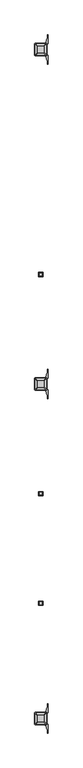
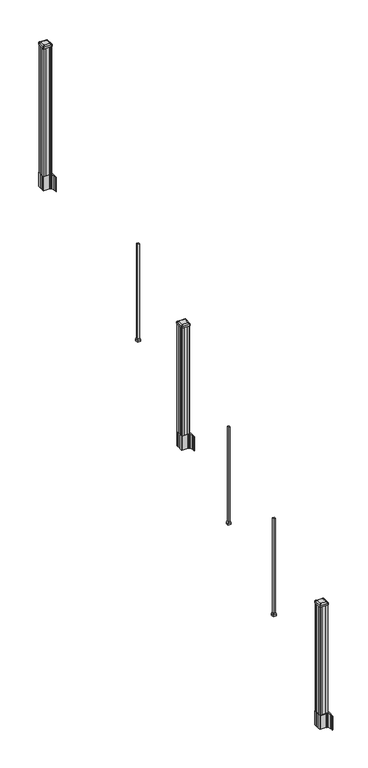
"""IFC4 building model written with IfcOpenShell, lengths in millimetres: railing geometry."""

from ifc_helpers import new_model, si_unit, point, frame, frame_2d, origin, place, context, project, spatial, polyline, circle_curve, trimmed, segment, composite_curve, outline, extrude, faceted_brep, source, transform, mapped, element, save
from ifc_brep_helpers import plane_surface, extruded_surface, advanced_brep


def railing_5faee576(model_context):
    return source(origin(), model_context, "Body", "SolidModel", [
        faceted_brep([(10042.5657728, -99917.1628453, 2254.6497081), (10067.9657728, -99917.1628453, 2254.6497081), (10067.9657728, -99891.7628453, 2254.6497081), (10042.5657728, -99891.7628453, 2254.6497081), (10039.3907728, -99920.3378453, 2238.7747081), (10039.3907728, -99888.5878453, 2238.7747081), (10071.1407728, -99888.5878453, 2238.7747081), (10071.1407728, -99920.3378453, 2238.7747081)], [[[0, 1, 2, 3]], [[4, 5, 6, 7]], [[4, 7, 1, 0]], [[7, 6, 2, 1]], [[6, 5, 3, 2]], [[5, 4, 0, 3]]]),
        extrude(outline(polyline([(10039.3907728, -99920.3378453), (10039.3907728, -99888.5878453), (10071.1407728, -99888.5878453), (10071.1407728, -99920.3378453), (10039.3907728, -99920.3378453)])), frame((0.0, 0.0, 2222.5), z_axis=(0.0, 0.0, 1.0), x_axis=(1.0, 0.0, 0.0)), (0.0, 0.0, 1.0), 16.2747081),
        extrude(outline(polyline([(10045.7407728, -99913.9878453), (10045.7407728, -99894.9378453), (10064.7907728, -99894.9378453), (10064.7907728, -99913.9878453), (10045.7407728, -99913.9878453)])), frame((0.0, 0.0, 2222.5), z_axis=(0.0, 0.0, 1.0), x_axis=(1.0, 0.0, 0.0)), (0.0, 0.0, 1.0), 1066.8),
        extrude(outline(composite_curve([segment(polyline([(10012.5302728, -100734.6489401), (10012.5302728, -100699.8767504), (10010.9427728, -100699.1147504), (10010.9427728, -100676.3128224), (10014.3157498, -100672.9398453), (10075.7754206, -100672.9398453), (10075.7754206, -100672.0190953), (10081.0929645, -100672.0190953), (10081.0929645, -100670.5648406), (10086.1774942, -100670.5648406), (10086.1774942, -100669.2808168), (10087.8447665, -100669.2808168)]), True, "CONTINUOUS"), segment(trimmed(circle_curve(frame_2d((10087.8447665, -100662.2213569)), 7.0594599), [point((10087.8447665, -100669.2808168))], [point((10094.6120293, -100664.2313636))], True, "CARTESIAN"), True, "CONTINUOUS"), segment(polyline([(10094.6120293, -100664.2313636), (10102.4862236, -100637.7206345)]), True, "CONTINUOUS"), segment(trimmed(circle_curve(frame_2d((10047.7017103, -100621.4485848)), 57.15), [point((10102.4862236, -100637.7206345))], [point((10104.8517103, -100621.4485848))], True, "CARTESIAN"), True, "CONTINUOUS"), segment(polyline([(10104.8517103, -100621.4485848), (10104.8517103, -100609.4398453), (10107.8517103, -100609.4398453), (10107.8517103, -100674.5273453), (10099.5887728, -100685.8656366), (10099.5887728, -100699.1147504), (10098.0012728, -100699.8767504), (10098.0012728, -100734.6489401), (10099.5887728, -100735.4109401), (10099.5887728, -100748.660054), (10107.8517103, -100759.9983453), (10107.8517103, -100825.0858453), (10104.8517103, -100825.0858453), (10104.8517103, -100813.0771057)]), True, "CONTINUOUS"), segment(trimmed(circle_curve(frame_2d((10047.7017103, -100813.0771057)), 57.15), [point((10104.8517103, -100813.0771057))], [point((10102.4862236, -100796.8050561))], True, "CARTESIAN"), True, "CONTINUOUS"), segment(polyline([(10102.4862236, -100796.8050561), (10094.6120293, -100770.294327)]), True, "CONTINUOUS"), segment(trimmed(circle_curve(frame_2d((10087.8447665, -100772.3043337)), 7.0594599), [point((10094.6120293, -100770.294327))], [point((10087.8447665, -100765.2448738))], True, "CARTESIAN"), True, "CONTINUOUS"), segment(polyline([(10087.8447665, -100765.2448738), (10086.1774942, -100765.2448738), (10086.1774942, -100763.96085), (10081.0929645, -100763.96085), (10081.0929645, -100762.5065953), (10075.7754206, -100762.5065953), (10075.7754206, -100761.5858453), (10014.3157498, -100761.5858453), (10010.9427728, -100758.2128682), (10010.9427728, -100735.4109401), (10012.5302728, -100734.6489401)]), True, "CONTINUOUS")], self_intersect=False), holes=[polyline([(10096.5407728, -100677.5753453), (10094.9532728, -100675.9878453), (10058.0289902, -100675.9878453), (10015.5782728, -100675.9878453), (10013.9907728, -100677.5753453), (10013.9907728, -100756.9503453), (10015.5782728, -100758.5378453), (10058.0289902, -100758.5378453), (10094.9532728, -100758.5378453), (10096.5407728, -100756.9503453), (10096.5407728, -100677.5753453)])]), frame((0.0, 0.0, 1562.1), z_axis=(0.0, 0.0, 1.0), x_axis=(1.0, 0.0, 0.0)), (0.0, 0.0, 1.0), 152.4),
        advanced_brep(
        [(10081.0626478, -100746.2347203, 2926.839263), (10084.2376478, -100743.0597203, 2926.839263), (10084.2376478, -100691.4659703, 2926.839263), (10081.0626478, -100688.2909703, 2926.839263), (10029.4688978, -100688.2909703, 2926.839263), (10026.2938978, -100691.4659703, 2926.839263), (10026.2938978, -100743.0597203, 2926.839263), (10029.4688978, -100746.2347203, 2926.839263), (10097.3345228, -100762.5065953, 2915.536263), (10013.1970228, -100762.5065953, 2915.536263), (10010.0220228, -100759.3315953, 2915.536263), (10010.0220228, -100675.1940953, 2915.536263), (10013.1970228, -100672.0190953, 2915.536263), (10097.3345228, -100672.0190953, 2915.536263), (10100.5095228, -100675.1940953, 2915.536263), (10100.5095228, -100759.3315953, 2915.536263)],
        [
            (0, 1, circle_curve(frame((10081.0626478, -100743.0597203, 2926.839263), z_axis=(0.0, 0.0, 1.0), x_axis=(0.0, 1.0, 0.0)), 3.175)),
            (1, 2),
            (2, 3, circle_curve(frame((10081.0626478, -100691.4659703, 2926.839263), z_axis=(0.0, 0.0, 1.0), x_axis=(0.0, 1.0, 0.0)), 3.175)),
            (3, 4),
            (4, 5, circle_curve(frame((10029.4688978, -100691.4659703, 2926.839263), z_axis=(0.0, 0.0, 1.0), x_axis=(0.0, 1.0, 0.0)), 3.175)),
            (5, 6),
            (6, 7, circle_curve(frame((10029.4688978, -100743.0597203, 2926.839263), z_axis=(0.0, 0.0, 1.0), x_axis=(0.0, 1.0, 0.0)), 3.175)),
            (7, 0),
            (8, 9),
            (9, 10, circle_curve(frame((10013.1970228, -100759.3315953, 2915.536263), z_axis=(0.0, 0.0, -1.0), x_axis=(0.0, 1.0, 0.0)), 3.175)),
            (10, 11),
            (11, 12, circle_curve(frame((10013.1970228, -100675.1940953, 2915.536263), z_axis=(0.0, 0.0, -1.0), x_axis=(0.0, 1.0, 0.0)), 3.175)),
            (12, 13),
            (13, 14, circle_curve(frame((10097.3345228, -100675.1940953, 2915.536263), z_axis=(0.0, 0.0, -1.0), x_axis=(0.0, 1.0, 0.0)), 3.175)),
            (14, 15),
            (15, 8, circle_curve(frame((10097.3345228, -100759.3315953, 2915.536263), z_axis=(0.0, 0.0, -1.0), x_axis=(0.0, 1.0, 0.0)), 3.175)),
            (15, 1),
            (0, 8),
            (14, 2),
            (13, 3),
            (12, 4),
            (11, 5),
            (10, 6),
            (9, 7),
        ],
        [
            plane_surface(frame((10055.2657728, -100717.2628453, 2926.839263), z_axis=(0.0, 0.0, 1.0), x_axis=(1.0, 0.0, 0.0))),
            plane_surface(frame((10055.2657728, -100717.2628453, 2915.536263), z_axis=(0.0, 0.0, -1.0), x_axis=(1.0, 0.0, 0.0))),
            extruded_surface(trimmed(circle_curve(frame((10097.3345228, -100759.3315953, 2915.536263), z_axis=(0.0, 0.0, 1.0), x_axis=(0.0, 1.0, 0.0)), 3.175), [point((10097.3345228, -100762.5065953, 2915.536263))], [point((10100.5095228, -100759.3315953, 2915.536263))], True, "CARTESIAN"), (-16.271875000000364, 16.27187499999127, 11.302999999999884), 25.637972638860802),
            plane_surface(frame((10100.5095228, -100717.2628453, 2915.536263), z_axis=(0.5705009161540778, 0.0, 0.8212969649690408), x_axis=(0.0, 1.0, 0.0))),
            extruded_surface(trimmed(circle_curve(frame((10097.3345228, -100675.1940953, 2915.536263), z_axis=(0.0, 0.0, 1.0), x_axis=(0.0, 1.0, 0.0)), 3.175), [point((10100.5095228, -100675.1940953, 2915.536263))], [point((10097.3345228, -100672.0190953, 2915.536263))], True, "CARTESIAN"), (-16.271875000000364, -16.27187500000582, 11.302999999999884), 25.637972638870036),
            plane_surface(frame((10055.2657728, -100672.0190953, 2915.536263), z_axis=(0.0, 0.5705009161540291, 0.8212969649690747), x_axis=(-1.0, 0.0, 0.0))),
            extruded_surface(trimmed(circle_curve(frame((10013.1970228, -100675.1940953, 2915.536263), z_axis=(0.0, 0.0, 1.0), x_axis=(0.0, 1.0, 0.0)), 3.175), [point((10013.1970228, -100672.0190953, 2915.536263))], [point((10010.0220228, -100675.1940953, 2915.536263))], True, "CARTESIAN"), (16.271875000000364, -16.27187500000582, 11.302999999999884), 25.637972638870036),
            plane_surface(frame((10010.0220228, -100717.2628453, 2915.536263), z_axis=(-0.5705009161540142, 0.0, 0.8212969649690851), x_axis=(0.0, -1.0, 0.0))),
            extruded_surface(trimmed(circle_curve(frame((10013.1970228, -100759.3315953, 2915.536263), z_axis=(0.0, 0.0, 1.0), x_axis=(0.0, 1.0, 0.0)), 3.175), [point((10010.0220228, -100759.3315953, 2915.536263))], [point((10013.1970228, -100762.5065953, 2915.536263))], True, "CARTESIAN"), (16.271875000000364, 16.27187499999127, 11.302999999999884), 25.637972638860802),
            plane_surface(frame((10055.2657728, -100762.5065953, 2915.536263), z_axis=(0.0, -0.570500916154034, 0.8212969649690713), x_axis=(1.0, 0.0, 0.0))),
        ],
        [
            (0, [[1, 2, 3, 4, 5, 6, 7, 8]]),
            (1, [[9, 10, 11, 12, 13, 14, 15, 16]]),
            (2, [[-16, 17, -1, 18]]),
            (3, [[-15, 19, -2, -17]]),
            (4, [[-14, 20, -3, -19]]),
            (5, [[-13, 21, -4, -20]]),
            (6, [[-12, 22, -5, -21]]),
            (7, [[-11, 23, -6, -22]]),
            (8, [[-10, 24, -7, -23]]),
            (9, [[-9, -18, -8, -24]]),
        ],
    ),
        extrude(outline(composite_curve([segment(polyline([(10097.3345228, -100762.5065953), (10013.1970228, -100762.5065953)]), True, "CONTINUOUS"), segment(trimmed(circle_curve(frame_2d((10013.1970228, -100759.3315953)), 3.175), [point((10013.1970228, -100762.5065953))], [point((10010.0220228, -100759.3315953))], False, "CARTESIAN"), True, "CONTINUOUS"), segment(polyline([(10010.0220228, -100759.3315953), (10010.0220228, -100675.1940953)]), True, "CONTINUOUS"), segment(trimmed(circle_curve(frame_2d((10013.1970228, -100675.1940953)), 3.175), [point((10010.0220228, -100675.1940953))], [point((10013.1970228, -100672.0190953))], False, "CARTESIAN"), True, "CONTINUOUS"), segment(polyline([(10013.1970228, -100672.0190953), (10097.3345228, -100672.0190953)]), True, "CONTINUOUS"), segment(trimmed(circle_curve(frame_2d((10097.3345228, -100675.1940953)), 3.175), [point((10097.3345228, -100672.0190953))], [point((10100.5095228, -100675.1940953))], False, "CARTESIAN"), True, "CONTINUOUS"), segment(polyline([(10100.5095228, -100675.1940953), (10100.5095228, -100759.3315953)]), True, "CONTINUOUS"), segment(trimmed(circle_curve(frame_2d((10097.3345228, -100759.3315953)), 3.175), [point((10100.5095228, -100759.3315953))], [point((10097.3345228, -100762.5065953))], False, "CARTESIAN"), True, "CONTINUOUS")], self_intersect=False)), frame((0.0, 0.0, 2898.264263), z_axis=(0.0, 0.0, 1.0), x_axis=(1.0, 0.0, 0.0)), (0.0, 0.0, 1.0), 17.272),
        extrude(outline(polyline([(10094.9532728, -100758.5378453), (10075.3317728, -100758.5378453), (10074.5697728, -100756.9503453), (10035.9617728, -100756.9503453), (10035.1997728, -100758.5378453), (10015.5782728, -100758.5378453), (10013.9907728, -100756.9503453), (10013.9907728, -100737.3288453), (10015.5782728, -100736.5668453), (10015.5782728, -100697.9588453), (10013.9907728, -100697.1968453), (10013.9907728, -100677.5753453), (10015.5782728, -100675.9878453), (10035.1997728, -100675.9878453), (10035.9617728, -100677.5753453), (10074.5697728, -100677.5753453), (10075.3317728, -100675.9878453), (10094.9532728, -100675.9878453), (10096.5407728, -100677.5753453), (10096.5407728, -100697.1968453), (10094.9532728, -100697.9588453), (10094.9532728, -100736.5668453), (10096.5407728, -100737.3288453), (10096.5407728, -100756.9503453), (10094.9532728, -100758.5378453)])), frame((0.0, 0.0, 1714.5), z_axis=(0.0, 0.0, 1.0), x_axis=(1.0, 0.0, 0.0)), (0.0, 0.0, 1.0), 1183.764263),
        faceted_brep([(10042.5657728, -101542.7628453, 1238.6497081), (10067.9657728, -101542.7628453, 1238.6497081), (10067.9657728, -101517.3628453, 1238.6497081), (10042.5657728, -101517.3628453, 1238.6497081), (10039.3907728, -101545.9378453, 1222.7747081), (10039.3907728, -101514.1878453, 1222.7747081), (10071.1407728, -101514.1878453, 1222.7747081), (10071.1407728, -101545.9378453, 1222.7747081)], [[[0, 1, 2, 3]], [[4, 5, 6, 7]], [[4, 7, 1, 0]], [[7, 6, 2, 1]], [[6, 5, 3, 2]], [[5, 4, 0, 3]]]),
        extrude(outline(polyline([(10039.3907728, -101545.9378453), (10039.3907728, -101514.1878453), (10071.1407728, -101514.1878453), (10071.1407728, -101545.9378453), (10039.3907728, -101545.9378453)])), frame((0.0, 0.0, 1206.5), z_axis=(0.0, 0.0, 1.0), x_axis=(1.0, 0.0, 0.0)), (0.0, 0.0, 1.0), 16.2747081),
        extrude(outline(polyline([(10045.7407728, -101539.5878453), (10045.7407728, -101520.5378453), (10064.7907728, -101520.5378453), (10064.7907728, -101539.5878453), (10045.7407728, -101539.5878453)])), frame((0.0, 0.0, 1206.5), z_axis=(0.0, 0.0, 1.0), x_axis=(1.0, 0.0, 0.0)), (0.0, 0.0, 1.0), 1066.8),
        faceted_brep([(10042.5657728, -102355.5628453, 730.6497081), (10067.9657728, -102355.5628453, 730.6497081), (10067.9657728, -102330.1628453, 730.6497081), (10042.5657728, -102330.1628453, 730.6497081), (10039.3907728, -102358.7378453, 714.7747081), (10039.3907728, -102326.9878453, 714.7747081), (10071.1407728, -102326.9878453, 714.7747081), (10071.1407728, -102358.7378453, 714.7747081)], [[[0, 1, 2, 3]], [[4, 5, 6, 7]], [[4, 7, 1, 0]], [[7, 6, 2, 1]], [[6, 5, 3, 2]], [[5, 4, 0, 3]]]),
        extrude(outline(polyline([(10039.3907728, -102358.7378453), (10039.3907728, -102326.9878453), (10071.1407728, -102326.9878453), (10071.1407728, -102358.7378453), (10039.3907728, -102358.7378453)])), frame((0.0, 0.0, 698.5), z_axis=(0.0, 0.0, 1.0), x_axis=(1.0, 0.0, 0.0)), (0.0, 0.0, 1.0), 16.2747081),
        extrude(outline(polyline([(10045.7407728, -102352.3878453), (10045.7407728, -102333.3378453), (10064.7907728, -102333.3378453), (10064.7907728, -102352.3878453), (10045.7407728, -102352.3878453)])), frame((0.0, 0.0, 698.5), z_axis=(0.0, 0.0, 1.0), x_axis=(1.0, 0.0, 0.0)), (0.0, 0.0, 1.0), 1066.8),
        extrude(outline(polyline([(10094.9532728, -98278.7358453), (10075.3317728, -98278.7358453), (10074.5697728, -98277.1483453), (10035.9617728, -98277.1483453), (10035.1997728, -98278.7358453), (10015.5782728, -98278.7358453), (10013.9907728, -98277.1483453), (10013.9907728, -98257.5268453), (10015.5782728, -98256.7648453), (10015.5782728, -98218.1568453), (10013.9907728, -98217.3948453), (10013.9907728, -98197.7733453), (10015.5782728, -98196.1858453), (10035.1997728, -98196.1858453), (10035.9617728, -98197.7733453), (10074.5697728, -98197.7733453), (10075.3317728, -98196.1858453), (10094.9532728, -98196.1858453), (10096.5407728, -98197.7733453), (10096.5407728, -98217.3948453), (10094.9532728, -98218.1568453), (10094.9532728, -98256.7648453), (10096.5407728, -98257.5268453), (10096.5407728, -98277.1483453), (10094.9532728, -98278.7358453)])), frame((0.0, 0.0, 3048.0), z_axis=(0.0, 0.0, 1.0), x_axis=(1.0, 0.0, 0.0)), (0.0, 0.0, 1.0), 1400.140513),
        extrude(outline(composite_curve([segment(polyline([(10012.5302728, -98254.8469401), (10012.5302728, -98220.0747504), (10010.9427728, -98219.3127504), (10010.9427728, -98196.5108224), (10014.3157498, -98193.1378453), (10075.7754206, -98193.1378453), (10075.7754206, -98192.2170953), (10081.0929645, -98192.2170953), (10081.0929645, -98190.7628406), (10086.1774942, -98190.7628406), (10086.1774942, -98189.4788168), (10087.8447665, -98189.4788168)]), True, "CONTINUOUS"), segment(trimmed(circle_curve(frame_2d((10087.8447665, -98182.4193569)), 7.0594599), [point((10087.8447665, -98189.4788168))], [point((10094.6120293, -98184.4293636))], True, "CARTESIAN"), True, "CONTINUOUS"), segment(polyline([(10094.6120293, -98184.4293636), (10102.4862236, -98157.9186345)]), True, "CONTINUOUS"), segment(trimmed(circle_curve(frame_2d((10047.7017103, -98141.6465848)), 57.15), [point((10102.4862236, -98157.9186345))], [point((10104.8517103, -98141.6465848))], True, "CARTESIAN"), True, "CONTINUOUS"), segment(polyline([(10104.8517103, -98141.6465848), (10104.8517103, -98129.6378453), (10107.8517103, -98129.6378453), (10107.8517103, -98194.7253453), (10099.5887728, -98206.0636366), (10099.5887728, -98219.3127504), (10098.0012728, -98220.0747504), (10098.0012728, -98254.8469401), (10099.5887728, -98255.6089401), (10099.5887728, -98268.858054), (10107.8517103, -98280.1963453), (10107.8517103, -98345.2838453), (10104.8517103, -98345.2838453), (10104.8517103, -98333.2751057)]), True, "CONTINUOUS"), segment(trimmed(circle_curve(frame_2d((10047.7017103, -98333.2751057)), 57.15), [point((10104.8517103, -98333.2751057))], [point((10102.4862236, -98317.0030561))], True, "CARTESIAN"), True, "CONTINUOUS"), segment(polyline([(10102.4862236, -98317.0030561), (10094.6120293, -98290.492327)]), True, "CONTINUOUS"), segment(trimmed(circle_curve(frame_2d((10087.8447665, -98292.5023337)), 7.0594599), [point((10094.6120293, -98290.492327))], [point((10087.8447665, -98285.4428738))], True, "CARTESIAN"), True, "CONTINUOUS"), segment(polyline([(10087.8447665, -98285.4428738), (10086.1774942, -98285.4428738), (10086.1774942, -98284.15885), (10081.0929645, -98284.15885), (10081.0929645, -98282.7045953), (10075.7754206, -98282.7045953), (10075.7754206, -98281.7838453), (10014.3157498, -98281.7838453), (10010.9427728, -98278.4108682), (10010.9427728, -98255.6089401), (10012.5302728, -98254.8469401)]), True, "CONTINUOUS")], self_intersect=False), holes=[polyline([(10096.5407728, -98197.7733453), (10094.9532728, -98196.1858453), (10058.0289902, -98196.1858453), (10015.5782728, -98196.1858453), (10013.9907728, -98197.7733453), (10013.9907728, -98277.1483453), (10015.5782728, -98278.7358453), (10058.0289902, -98278.7358453), (10094.9532728, -98278.7358453), (10096.5407728, -98277.1483453), (10096.5407728, -98197.7733453)])]), frame((0.0, 0.0, 2895.6), z_axis=(0.0, 0.0, 1.0), x_axis=(1.0, 0.0, 0.0)), (0.0, 0.0, 1.0), 152.4),
        advanced_brep(
        [(10081.0626478, -98266.4327203, 4476.715513), (10084.2376478, -98263.2577203, 4476.715513), (10084.2376478, -98211.6639703, 4476.715513), (10081.0626478, -98208.4889703, 4476.715513), (10029.4688978, -98208.4889703, 4476.715513), (10026.2938978, -98211.6639703, 4476.715513), (10026.2938978, -98263.2577203, 4476.715513), (10029.4688978, -98266.4327203, 4476.715513), (10097.3345228, -98282.7045953, 4465.412513), (10013.1970228, -98282.7045953, 4465.412513), (10010.0220228, -98279.5295953, 4465.412513), (10010.0220228, -98195.3920953, 4465.412513), (10013.1970228, -98192.2170953, 4465.412513), (10097.3345228, -98192.2170953, 4465.412513), (10100.5095228, -98195.3920953, 4465.412513), (10100.5095228, -98279.5295953, 4465.412513)],
        [
            (0, 1, circle_curve(frame((10081.0626478, -98263.2577203, 4476.715513), z_axis=(0.0, 0.0, 1.0), x_axis=(0.0, 1.0, 0.0)), 3.175)),
            (1, 2),
            (2, 3, circle_curve(frame((10081.0626478, -98211.6639703, 4476.715513), z_axis=(0.0, 0.0, 1.0), x_axis=(0.0, 1.0, 0.0)), 3.175)),
            (3, 4),
            (4, 5, circle_curve(frame((10029.4688978, -98211.6639703, 4476.715513), z_axis=(0.0, 0.0, 1.0), x_axis=(0.0, 1.0, 0.0)), 3.175)),
            (5, 6),
            (6, 7, circle_curve(frame((10029.4688978, -98263.2577203, 4476.715513), z_axis=(0.0, 0.0, 1.0), x_axis=(0.0, 1.0, 0.0)), 3.175)),
            (7, 0),
            (8, 9),
            (9, 10, circle_curve(frame((10013.1970228, -98279.5295953, 4465.412513), z_axis=(0.0, 0.0, -1.0), x_axis=(0.0, 1.0, 0.0)), 3.175)),
            (10, 11),
            (11, 12, circle_curve(frame((10013.1970228, -98195.3920953, 4465.412513), z_axis=(0.0, 0.0, -1.0), x_axis=(0.0, 1.0, 0.0)), 3.175)),
            (12, 13),
            (13, 14, circle_curve(frame((10097.3345228, -98195.3920953, 4465.412513), z_axis=(0.0, 0.0, -1.0), x_axis=(0.0, 1.0, 0.0)), 3.175)),
            (14, 15),
            (15, 8, circle_curve(frame((10097.3345228, -98279.5295953, 4465.412513), z_axis=(0.0, 0.0, -1.0), x_axis=(0.0, 1.0, 0.0)), 3.175)),
            (15, 1),
            (0, 8),
            (14, 2),
            (13, 3),
            (12, 4),
            (11, 5),
            (10, 6),
            (9, 7),
        ],
        [
            plane_surface(frame((10055.2657728, -98237.4608453, 4476.715513), z_axis=(0.0, 0.0, 1.0), x_axis=(1.0, 0.0, 0.0))),
            plane_surface(frame((10055.2657728, -98237.4608453, 4465.412513), z_axis=(0.0, 0.0, -1.0), x_axis=(1.0, 0.0, 0.0))),
            extruded_surface(trimmed(circle_curve(frame((10097.3345228, -98279.5295953, 4465.412513), z_axis=(0.0, 0.0, 1.0), x_axis=(0.0, 1.0, 0.0)), 3.175), [point((10097.3345228, -98282.7045953, 4465.412513))], [point((10100.5095228, -98279.5295953, 4465.412513))], True, "CARTESIAN"), (-16.271875000000364, 16.27187500000582, 11.302999999999884), 25.637972638870036),
            plane_surface(frame((10100.5095228, -98237.4608453, 4465.412513), z_axis=(0.5705009161540685, 0.0, 0.8212969649690474), x_axis=(0.0, 1.0, 0.0))),
            extruded_surface(trimmed(circle_curve(frame((10097.3345228, -98195.3920953, 4465.412513), z_axis=(0.0, 0.0, 1.0), x_axis=(0.0, 1.0, 0.0)), 3.175), [point((10100.5095228, -98195.3920953, 4465.412513))], [point((10097.3345228, -98192.2170953, 4465.412513))], True, "CARTESIAN"), (-16.271875000000364, -16.27187499999127, 11.302999999999884), 25.637972638860802),
            plane_surface(frame((10055.2657728, -98192.2170953, 4465.412513), z_axis=(0.0, 0.5705009161540291, 0.8212969649690747), x_axis=(-1.0, 0.0, 0.0))),
            extruded_surface(trimmed(circle_curve(frame((10013.1970228, -98195.3920953, 4465.412513), z_axis=(0.0, 0.0, 1.0), x_axis=(0.0, 1.0, 0.0)), 3.175), [point((10013.1970228, -98192.2170953, 4465.412513))], [point((10010.0220228, -98195.3920953, 4465.412513))], True, "CARTESIAN"), (16.271875000000364, -16.27187499999127, 11.302999999999884), 25.637972638860802),
            plane_surface(frame((10010.0220228, -98237.4608453, 4465.412513), z_axis=(-0.5705009161540235, 0.0, 0.8212969649690786), x_axis=(0.0, -1.0, 0.0))),
            extruded_surface(trimmed(circle_curve(frame((10013.1970228, -98279.5295953, 4465.412513), z_axis=(0.0, 0.0, 1.0), x_axis=(0.0, 1.0, 0.0)), 3.175), [point((10010.0220228, -98279.5295953, 4465.412513))], [point((10013.1970228, -98282.7045953, 4465.412513))], True, "CARTESIAN"), (16.271875000000364, 16.27187500000582, 11.302999999999884), 25.637972638870036),
            plane_surface(frame((10055.2657728, -98282.7045953, 4465.412513), z_axis=(0.0, -0.570500916154034, 0.8212969649690713), x_axis=(1.0, 0.0, 0.0))),
        ],
        [
            (0, [[1, 2, 3, 4, 5, 6, 7, 8]]),
            (1, [[9, 10, 11, 12, 13, 14, 15, 16]]),
            (2, [[-16, 17, -1, 18]]),
            (3, [[-15, 19, -2, -17]]),
            (4, [[-14, 20, -3, -19]]),
            (5, [[-13, 21, -4, -20]]),
            (6, [[-12, 22, -5, -21]]),
            (7, [[-11, 23, -6, -22]]),
            (8, [[-10, 24, -7, -23]]),
            (9, [[-9, -18, -8, -24]]),
        ],
    ),
        extrude(outline(composite_curve([segment(polyline([(10097.3345228, -98282.7045953), (10013.1970228, -98282.7045953)]), True, "CONTINUOUS"), segment(trimmed(circle_curve(frame_2d((10013.1970228, -98279.5295953)), 3.175), [point((10013.1970228, -98282.7045953))], [point((10010.0220228, -98279.5295953))], False, "CARTESIAN"), True, "CONTINUOUS"), segment(polyline([(10010.0220228, -98279.5295953), (10010.0220228, -98195.3920953)]), True, "CONTINUOUS"), segment(trimmed(circle_curve(frame_2d((10013.1970228, -98195.3920953)), 3.175), [point((10010.0220228, -98195.3920953))], [point((10013.1970228, -98192.2170953))], False, "CARTESIAN"), True, "CONTINUOUS"), segment(polyline([(10013.1970228, -98192.2170953), (10097.3345228, -98192.2170953)]), True, "CONTINUOUS"), segment(trimmed(circle_curve(frame_2d((10097.3345228, -98195.3920953)), 3.175), [point((10097.3345228, -98192.2170953))], [point((10100.5095228, -98195.3920953))], False, "CARTESIAN"), True, "CONTINUOUS"), segment(polyline([(10100.5095228, -98195.3920953), (10100.5095228, -98279.5295953)]), True, "CONTINUOUS"), segment(trimmed(circle_curve(frame_2d((10097.3345228, -98279.5295953)), 3.175), [point((10100.5095228, -98279.5295953))], [point((10097.3345228, -98282.7045953))], False, "CARTESIAN"), True, "CONTINUOUS")], self_intersect=False)), frame((0.0, 0.0, 4448.140513), z_axis=(0.0, 0.0, 1.0), x_axis=(1.0, 0.0, 0.0)), (0.0, 0.0, 1.0), 17.272),
        extrude(outline(composite_curve([segment(polyline([(10012.5302728, -103214.4509401), (10012.5302728, -103179.6787504), (10010.9427728, -103178.9167504), (10010.9427728, -103156.1148224), (10014.3157498, -103152.7418453), (10075.7754206, -103152.7418453), (10075.7754206, -103151.8210953), (10081.0929645, -103151.8210953), (10081.0929645, -103150.3668406), (10086.1774942, -103150.3668406), (10086.1774942, -103149.0828168), (10087.8447665, -103149.0828168)]), True, "CONTINUOUS"), segment(trimmed(circle_curve(frame_2d((10087.8447665, -103142.0233569)), 7.0594599), [point((10087.8447665, -103149.0828168))], [point((10094.6120293, -103144.0333636))], True, "CARTESIAN"), True, "CONTINUOUS"), segment(polyline([(10094.6120293, -103144.0333636), (10102.4862236, -103117.5226345)]), True, "CONTINUOUS"), segment(trimmed(circle_curve(frame_2d((10047.7017103, -103101.2505848)), 57.15), [point((10102.4862236, -103117.5226345))], [point((10104.8517103, -103101.2505848))], True, "CARTESIAN"), True, "CONTINUOUS"), segment(polyline([(10104.8517103, -103101.2505848), (10104.8517103, -103089.2418453), (10107.8517103, -103089.2418453), (10107.8517103, -103154.3293453), (10099.5887728, -103165.6676366), (10099.5887728, -103178.9167504), (10098.0012728, -103179.6787504), (10098.0012728, -103214.4509401), (10099.5887728, -103215.2129401), (10099.5887728, -103228.462054), (10107.8517103, -103239.8003453), (10107.8517103, -103304.8878453), (10104.8517103, -103304.8878453), (10104.8517103, -103292.8791057)]), True, "CONTINUOUS"), segment(trimmed(circle_curve(frame_2d((10047.7017103, -103292.8791057)), 57.15), [point((10104.8517103, -103292.8791057))], [point((10102.4862236, -103276.6070561))], True, "CARTESIAN"), True, "CONTINUOUS"), segment(polyline([(10102.4862236, -103276.6070561), (10094.6120293, -103250.096327)]), True, "CONTINUOUS"), segment(trimmed(circle_curve(frame_2d((10087.8447665, -103252.1063337)), 7.0594599), [point((10094.6120293, -103250.096327))], [point((10087.8447665, -103245.0468738))], True, "CARTESIAN"), True, "CONTINUOUS"), segment(polyline([(10087.8447665, -103245.0468738), (10086.1774942, -103245.0468738), (10086.1774942, -103243.76285), (10081.0929645, -103243.76285), (10081.0929645, -103242.3085953), (10075.7754206, -103242.3085953), (10075.7754206, -103241.3878453), (10014.3157498, -103241.3878453), (10010.9427728, -103238.0148682), (10010.9427728, -103215.2129401), (10012.5302728, -103214.4509401)]), True, "CONTINUOUS")], self_intersect=False), holes=[polyline([(10096.5407728, -103157.3773453), (10094.9532728, -103155.7898453), (10058.0289902, -103155.7898453), (10015.5782728, -103155.7898453), (10013.9907728, -103157.3773453), (10013.9907728, -103236.7523453), (10015.5782728, -103238.3398453), (10058.0289902, -103238.3398453), (10094.9532728, -103238.3398453), (10096.5407728, -103236.7523453), (10096.5407728, -103157.3773453)])]), frame((0.0, 0.0, 12.22375), z_axis=(0.0, 0.0, 1.0), x_axis=(1.0, 0.0, 0.0)), (0.0, 0.0, 1.0), 152.4),
        advanced_brep(
        [(10081.0626478, -103226.0367203, 1376.963013), (10084.2376478, -103222.8617203, 1376.963013), (10084.2376478, -103171.2679703, 1376.963013), (10081.0626478, -103168.0929703, 1376.963013), (10029.4688978, -103168.0929703, 1376.963013), (10026.2938978, -103171.2679703, 1376.963013), (10026.2938978, -103222.8617203, 1376.963013), (10029.4688978, -103226.0367203, 1376.963013), (10097.3345228, -103242.3085953, 1365.660013), (10013.1970228, -103242.3085953, 1365.660013), (10010.0220228, -103239.1335953, 1365.660013), (10010.0220228, -103154.9960953, 1365.660013), (10013.1970228, -103151.8210953, 1365.660013), (10097.3345228, -103151.8210953, 1365.660013), (10100.5095228, -103154.9960953, 1365.660013), (10100.5095228, -103239.1335953, 1365.660013)],
        [
            (0, 1, circle_curve(frame((10081.0626478, -103222.8617203, 1376.963013), z_axis=(0.0, 0.0, 1.0), x_axis=(0.0, 1.0, 0.0)), 3.175)),
            (1, 2),
            (2, 3, circle_curve(frame((10081.0626478, -103171.2679703, 1376.963013), z_axis=(0.0, 0.0, 1.0), x_axis=(0.0, 1.0, 0.0)), 3.175)),
            (3, 4),
            (4, 5, circle_curve(frame((10029.4688978, -103171.2679703, 1376.963013), z_axis=(0.0, 0.0, 1.0), x_axis=(0.0, 1.0, 0.0)), 3.175)),
            (5, 6),
            (6, 7, circle_curve(frame((10029.4688978, -103222.8617203, 1376.963013), z_axis=(0.0, 0.0, 1.0), x_axis=(0.0, 1.0, 0.0)), 3.175)),
            (7, 0),
            (8, 9),
            (9, 10, circle_curve(frame((10013.1970228, -103239.1335953, 1365.660013), z_axis=(0.0, 0.0, -1.0), x_axis=(0.0, 1.0, 0.0)), 3.175)),
            (10, 11),
            (11, 12, circle_curve(frame((10013.1970228, -103154.9960953, 1365.660013), z_axis=(0.0, 0.0, -1.0), x_axis=(0.0, 1.0, 0.0)), 3.175)),
            (12, 13),
            (13, 14, circle_curve(frame((10097.3345228, -103154.9960953, 1365.660013), z_axis=(0.0, 0.0, -1.0), x_axis=(0.0, 1.0, 0.0)), 3.175)),
            (14, 15),
            (15, 8, circle_curve(frame((10097.3345228, -103239.1335953, 1365.660013), z_axis=(0.0, 0.0, -1.0), x_axis=(0.0, 1.0, 0.0)), 3.175)),
            (15, 1),
            (0, 8),
            (14, 2),
            (13, 3),
            (12, 4),
            (11, 5),
            (10, 6),
            (9, 7),
        ],
        [
            plane_surface(frame((10055.2657728, -103197.0648453, 1376.963013), z_axis=(0.0, 0.0, 1.0), x_axis=(1.0, 0.0, 0.0))),
            plane_surface(frame((10055.2657728, -103197.0648453, 1365.660013), z_axis=(0.0, 0.0, -1.0), x_axis=(1.0, 0.0, 0.0))),
            extruded_surface(trimmed(circle_curve(frame((10097.3345228, -103239.1335953, 1365.660013), z_axis=(0.0, 0.0, 1.0), x_axis=(0.0, 1.0, 0.0)), 3.175), [point((10097.3345228, -103242.3085953, 1365.660013))], [point((10100.5095228, -103239.1335953, 1365.660013))], True, "CARTESIAN"), (-16.271875000000364, 16.27187499999127, 11.303000000000111), 25.6379726388609),
            plane_surface(frame((10100.5095228, -103197.0648453, 1365.660013), z_axis=(0.5705009161540778, 0.0, 0.8212969649690408), x_axis=(0.0, 1.0, 0.0))),
            extruded_surface(trimmed(circle_curve(frame((10097.3345228, -103154.9960953, 1365.660013), z_axis=(0.0, 0.0, 1.0), x_axis=(0.0, 1.0, 0.0)), 3.175), [point((10100.5095228, -103154.9960953, 1365.660013))], [point((10097.3345228, -103151.8210953, 1365.660013))], True, "CARTESIAN"), (-16.271875000000364, -16.27187500000582, 11.303000000000111), 25.63797263887014),
            plane_surface(frame((10055.2657728, -103151.8210953, 1365.660013), z_axis=(0.0, 0.5705009161540291, 0.8212969649690747), x_axis=(-1.0, 0.0, 0.0))),
            extruded_surface(trimmed(circle_curve(frame((10013.1970228, -103154.9960953, 1365.660013), z_axis=(0.0, 0.0, 1.0), x_axis=(0.0, 1.0, 0.0)), 3.175), [point((10013.1970228, -103151.8210953, 1365.660013))], [point((10010.0220228, -103154.9960953, 1365.660013))], True, "CARTESIAN"), (16.271875000000364, -16.27187500000582, 11.303000000000111), 25.63797263887014),
            plane_surface(frame((10010.0220228, -103197.0648453, 1365.660013), z_axis=(-0.5705009161540142, 0.0, 0.8212969649690851), x_axis=(0.0, -1.0, 0.0))),
            extruded_surface(trimmed(circle_curve(frame((10013.1970228, -103239.1335953, 1365.660013), z_axis=(0.0, 0.0, 1.0), x_axis=(0.0, 1.0, 0.0)), 3.175), [point((10010.0220228, -103239.1335953, 1365.660013))], [point((10013.1970228, -103242.3085953, 1365.660013))], True, "CARTESIAN"), (16.271875000000364, 16.27187499999127, 11.303000000000111), 25.6379726388609),
            plane_surface(frame((10055.2657728, -103242.3085953, 1365.660013), z_axis=(0.0, -0.570500916154034, 0.8212969649690713), x_axis=(1.0, 0.0, 0.0))),
        ],
        [
            (0, [[1, 2, 3, 4, 5, 6, 7, 8]]),
            (1, [[9, 10, 11, 12, 13, 14, 15, 16]]),
            (2, [[-16, 17, -1, 18]]),
            (3, [[-15, 19, -2, -17]]),
            (4, [[-14, 20, -3, -19]]),
            (5, [[-13, 21, -4, -20]]),
            (6, [[-12, 22, -5, -21]]),
            (7, [[-11, 23, -6, -22]]),
            (8, [[-10, 24, -7, -23]]),
            (9, [[-9, -18, -8, -24]]),
        ],
    ),
        extrude(outline(composite_curve([segment(polyline([(10097.3345228, -103242.3085953), (10013.1970228, -103242.3085953)]), True, "CONTINUOUS"), segment(trimmed(circle_curve(frame_2d((10013.1970228, -103239.1335953)), 3.175), [point((10013.1970228, -103242.3085953))], [point((10010.0220228, -103239.1335953))], False, "CARTESIAN"), True, "CONTINUOUS"), segment(polyline([(10010.0220228, -103239.1335953), (10010.0220228, -103154.9960953)]), True, "CONTINUOUS"), segment(trimmed(circle_curve(frame_2d((10013.1970228, -103154.9960953)), 3.175), [point((10010.0220228, -103154.9960953))], [point((10013.1970228, -103151.8210953))], False, "CARTESIAN"), True, "CONTINUOUS"), segment(polyline([(10013.1970228, -103151.8210953), (10097.3345228, -103151.8210953)]), True, "CONTINUOUS"), segment(trimmed(circle_curve(frame_2d((10097.3345228, -103154.9960953)), 3.175), [point((10097.3345228, -103151.8210953))], [point((10100.5095228, -103154.9960953))], False, "CARTESIAN"), True, "CONTINUOUS"), segment(polyline([(10100.5095228, -103154.9960953), (10100.5095228, -103239.1335953)]), True, "CONTINUOUS"), segment(trimmed(circle_curve(frame_2d((10097.3345228, -103239.1335953)), 3.175), [point((10100.5095228, -103239.1335953))], [point((10097.3345228, -103242.3085953))], False, "CARTESIAN"), True, "CONTINUOUS")], self_intersect=False)), frame((0.0, 0.0, 1348.388013), z_axis=(0.0, 0.0, 1.0), x_axis=(1.0, 0.0, 0.0)), (0.0, 0.0, 1.0), 17.272),
        extrude(outline(polyline([(10094.9532728, -103238.3398453), (10075.3317728, -103238.3398453), (10074.5697728, -103236.7523453), (10035.9617728, -103236.7523453), (10035.1997728, -103238.3398453), (10015.5782728, -103238.3398453), (10013.9907728, -103236.7523453), (10013.9907728, -103217.1308453), (10015.5782728, -103216.3688453), (10015.5782728, -103177.7608453), (10013.9907728, -103176.9988453), (10013.9907728, -103157.3773453), (10015.5782728, -103155.7898453), (10035.1997728, -103155.7898453), (10035.9617728, -103157.3773453), (10074.5697728, -103157.3773453), (10075.3317728, -103155.7898453), (10094.9532728, -103155.7898453), (10096.5407728, -103157.3773453), (10096.5407728, -103176.9988453), (10094.9532728, -103177.7608453), (10094.9532728, -103216.3688453), (10096.5407728, -103217.1308453), (10096.5407728, -103236.7523453), (10094.9532728, -103238.3398453)])), frame((0.0, 0.0, 164.62375), z_axis=(0.0, 0.0, 1.0), x_axis=(1.0, 0.0, 0.0)), (0.0, 0.0, 1.0), 1183.764263),
    ])


if __name__ == "__main__":
    model = new_model("IFC4")
    model_context = context("Model", 3, world=origin())
    ifc_project = project(units=[si_unit("LENGTHUNIT", "METRE", prefix="MILLI")], contexts=[model_context])
    site = spatial("IfcSite", under=ifc_project)
    building = spatial("IfcBuilding", under=site)
    placement = place(None, origin())
    railing_shape = railing_5faee576(model_context)
    element("IfcRailing", 1, at=placement, inside=building, context=model_context, shape_type="MappedRepresentation", body=[
        mapped(railing_shape, transform((0.0, 0.0, 0.0), x_axis=(1.0, 0.0, 0.0), y_axis=(0.0, 1.0, 0.0), z_axis=(0.0, 0.0, 1.0))),
    ])
    save(model, "model.ifc")
